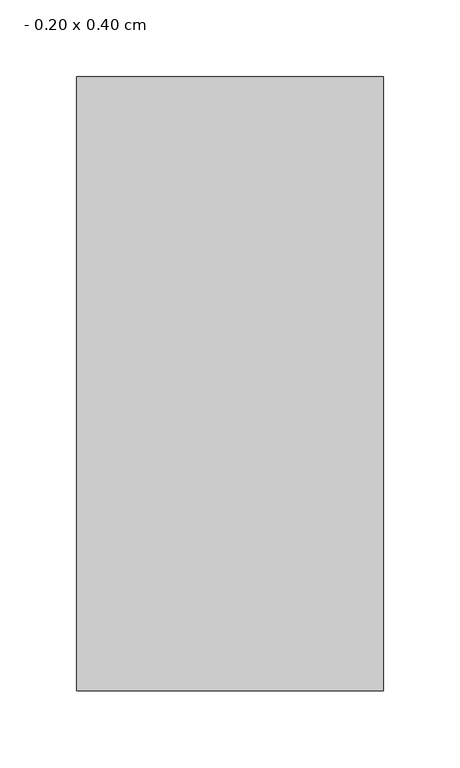
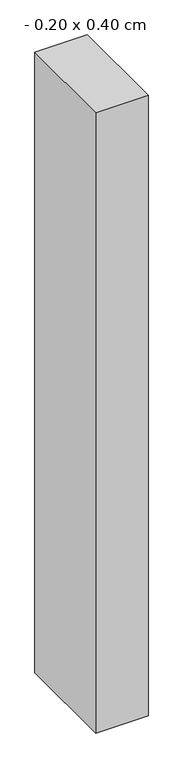
"""IFC4 building model written with IfcOpenShell, lengths in millimetres: column geometry, - 0.20 x 0.40 cm."""

from ifc_helpers import new_model, si_unit, origin, origin_with_axes, place, context, project, spatial, polyline, outline, extrude, source, transform, mapped, element, save


def column_0_20_x_0_40_cm_0b7c4c8e(model_context):
    return source(origin(), model_context, "Body", "SweptSolid", [
        extrude(outline(polyline([(100.0, 200.0), (100.0, -200.0), (-100.0, -200.0), (-100.0, 200.0), (100.0, 200.0)])), origin_with_axes(), (0.0, 0.0, 1.0), 2500.0),
    ])


if __name__ == "__main__":
    model = new_model("IFC4")
    model_context = context("Model", 3, world=origin())
    ifc_project = project(units=[si_unit("LENGTHUNIT", "METRE", prefix="MILLI")], contexts=[model_context])
    site = spatial("IfcSite", under=ifc_project)
    building = spatial("IfcBuilding", under=site)
    placement = place(None, origin())
    column_0_20_x_0_40_cm_shape = column_0_20_x_0_40_cm_0b7c4c8e(model_context)
    element("IfcColumn", 1, ObjectType="- 0.20 x 0.40 cm", at=placement, inside=building, context=model_context, shape_type="MappedRepresentation", body=[
        mapped(column_0_20_x_0_40_cm_shape, transform((0.0, 0.0, 0.0), x_axis=(1.0, 0.0, 0.0), y_axis=(0.0, 1.0, 0.0), z_axis=(0.0, 0.0, 1.0))),
    ])
    save(model, "model.ifc")
